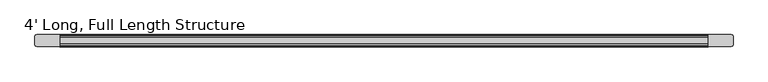
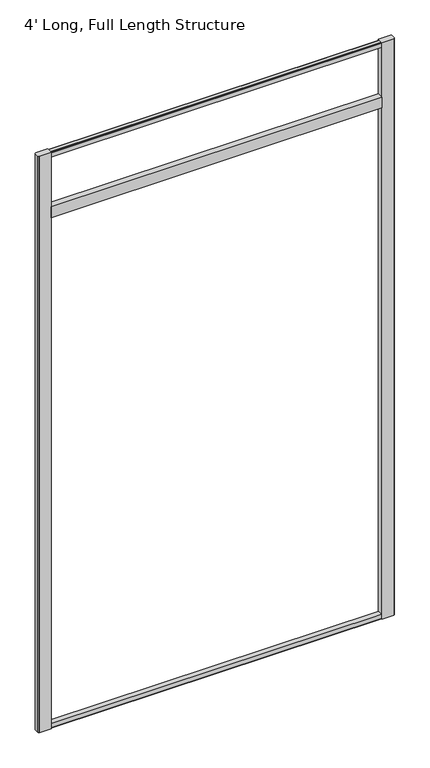
"""IFC4 building model written with IfcOpenShell, lengths in millimetres: furniture geometry, 4' Long, Full Length Structure."""

from ifc_helpers import new_model, si_unit, frame, origin, place, context, project, spatial, polyline, outline, extrude, source, transform, mapped, element, save


def furniture_4_long_full_length_structure_b667385b(model_context):
    return source(origin(), model_context, "Body", "SweptSolid", [
        extrude(outline(polyline([(1175.893, -10.5559997), (43.1799273, -10.5559997), (43.1799273, 10.5559997), (1175.893, 10.5559997), (1175.893, -10.5559997)])), frame((0.0, 0.0, 1949.2990402), z_axis=(0.0, 0.0, 1.0), x_axis=(1.0, 0.0, 0.0)), (0.0, 0.0, 1.0), 38.1),
        extrude(outline(polyline([(-8.9429997, 2166.849753), (-8.9429997, 2180.8497706), (-8.0643203, 2182.9710074), (-5.943, 2183.8497328), (5.943, 2183.8497328), (8.0643203, 2182.9710074), (8.9429997, 2180.8497706), (8.9429997, 2166.849753), (-8.9429997, 2166.849753)])), frame((43.1799273, 0.0, 0.0), z_axis=(1.0, 0.0, 0.0), x_axis=(0.0, 1.0, 0.0)), (0.0, 0.0, 1.0), 1132.7130727),
        extrude(outline(polyline([(43.1799273, 10.5559997), (43.1799273, -10.5559997), (3.2032054, -10.5559997), (0.9232937, -9.6109027), (-0.0218157, -7.3310001), (-0.0218157, 7.3310001), (0.9232937, 9.6109027), (3.2032054, 10.5559997), (43.1799273, 10.5559997)])), frame((0.0, 0.0, 101.6), z_axis=(0.0, 0.0, 1.0), x_axis=(1.0, 0.0, 0.0)), (0.0, 0.0, 1.0), 2083.2318),
        extrude(outline(polyline([(1175.893, 10.5559997), (1216.0904304, 10.5559997), (1218.3703784, 9.6109027), (1219.2, 7.6093626), (1219.2, -7.6093626), (1218.3703784, -9.6109027), (1216.0904304, -10.5559997), (1175.893, -10.5559997), (1175.893, 10.5559997)])), frame((0.0, 0.0, 101.6), z_axis=(0.0, 0.0, 1.0), x_axis=(1.0, 0.0, 0.0)), (0.0, 0.0, 1.0), 2083.2318),
        extrude(outline(polyline([(-8.9429997, 118.1400272), (8.9429997, 118.1400272), (8.9429997, 104.1400097), (8.0643203, 102.0187729), (5.943, 101.1400475), (-5.943, 101.1400475), (-8.0643203, 102.0187729), (-8.9429997, 104.1400097), (-8.9429997, 118.1400272)])), frame((43.1799273, 0.0, 0.0), z_axis=(1.0, 0.0, 0.0), x_axis=(0.0, 1.0, 0.0)), (0.0, 0.0, 1.0), 1132.7130727),
    ])


if __name__ == "__main__":
    model = new_model("IFC4")
    model_context = context("Model", 3, world=origin())
    ifc_project = project(units=[si_unit("LENGTHUNIT", "METRE", prefix="MILLI")], contexts=[model_context])
    site = spatial("IfcSite", under=ifc_project)
    building = spatial("IfcBuilding", under=site)
    placement = place(None, origin())
    furniture_4_long_full_length_structure_shape = furniture_4_long_full_length_structure_b667385b(model_context)
    element("IfcFurniture", 1, ObjectType="4' Long, Full Length Structure", at=placement, inside=building, context=model_context, shape_type="MappedRepresentation", body=[
        mapped(furniture_4_long_full_length_structure_shape, transform((0.0, 0.0, 0.0), x_axis=(1.0, 0.0, 0.0), y_axis=(0.0, 1.0, 0.0), z_axis=(0.0, 0.0, 1.0))),
    ])
    save(model, "model.ifc")
